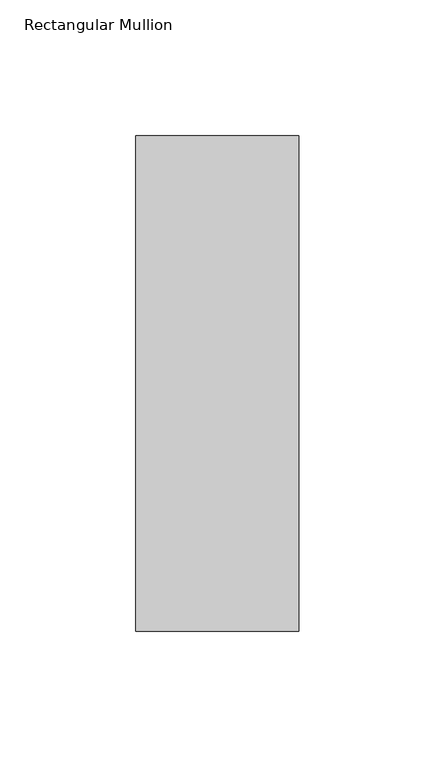
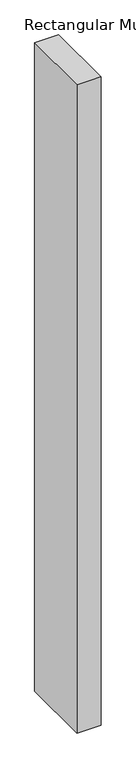
"""IFC4 building model written with IfcOpenShell, lengths in millimetres: member geometry, Rectangular Mullion."""

from ifc_helpers import new_model, si_unit, frame, origin, place, context, project, spatial, polyline, outline, extrude, source, transform, mapped, element, save


def rectangular_mullion_ac867686(model_context):
    return source(origin(), model_context, "Body", "SweptSolid", [
        extrude(outline(polyline([(30.0, 146.73125), (30.0, -35.73125), (-30.0, -35.73125), (-30.0, 146.73125), (30.0, 146.73125)])), frame((0.0, 0.0, -1708.8912252), z_axis=(0.0, 0.0, 1.0), x_axis=(1.0, 0.0, 0.0)), (0.0, 0.0, 1.0), 1708.8912252),
    ])


if __name__ == "__main__":
    model = new_model("IFC4")
    model_context = context("Model", 3, world=origin())
    ifc_project = project(units=[si_unit("LENGTHUNIT", "METRE", prefix="MILLI")], contexts=[model_context])
    site = spatial("IfcSite", under=ifc_project)
    building = spatial("IfcBuilding", under=site)
    placement = place(None, origin())
    rectangular_mullion_shape = rectangular_mullion_ac867686(model_context)
    element("IfcMember", 1, ObjectType="Rectangular Mullion", at=placement, inside=building, context=model_context, shape_type="MappedRepresentation", body=[
        mapped(rectangular_mullion_shape, transform((0.0, 0.0, 0.0), x_axis=(1.0, 0.0, 0.0), y_axis=(0.0, 1.0, 0.0), z_axis=(0.0, 0.0, 1.0))),
    ])
    save(model, "model.ifc")
